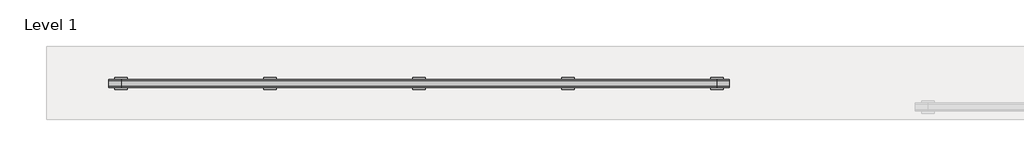
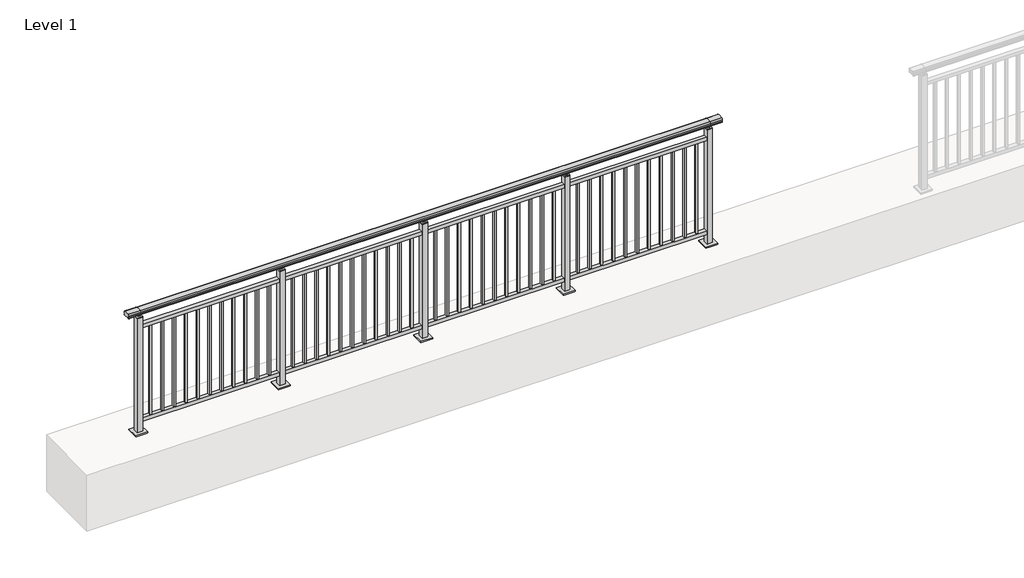
# One storey, part 6 of 64: 1 railing.
"""IFC4 building model written with IfcOpenShell, lengths in millimetres."""

from ifc_helpers import new_model, si_unit, frame, origin, origin_with_axes, place, context, project, spatial, polyline, circle_curve, outline, extrude, element, save
from ifc_brep_helpers import plane_surface, cylinder_surface, revolved_surface, advanced_brep

model = new_model("IFC4")

# Units and contexts
model_context = context("Model", 3, world=origin())
ifc_project = project(units=[si_unit("LENGTHUNIT", "METRE", prefix="MILLI")], contexts=[model_context])

# Site, building, storey
site = spatial("IfcSite", under=ifc_project)
building = spatial("IfcBuilding", under=site)
storey = spatial("IfcBuildingStorey", under=building, Name="Level 1", Elevation=0.0)

# Railing
placement = place(None, origin())
element("IfcRailing", 1, at=placement, inside=storey, context=model_context, shape_type="SolidModel", body=[
    advanced_brep(
    [(-100.0, 2715.3633756, 1095.6691182), (-100.0, 2720.1846828, 1081.1334092), (-100.0, 2719.2413744, 1069.2539035), (-100.0, 2721.1364177, 1061.4863007), (-100.0, 2719.4894799, 1060.384124), (-100.0, 2719.4894799, 1062.0), (-100.0, 2660.8798858, 1062.0), (-100.0, 2660.8798858, 1060.384124), (-100.0, 2659.232948, 1061.4863007), (-100.0, 2661.1279912, 1069.2539035), (-100.0, 2660.1846828, 1081.1334092), (-100.0, 2665.00599, 1095.6691182), (4900.0, 2715.3633756, 1095.6691182), (4900.0, 2665.00599, 1095.6691182), (4900.0, 2660.1846828, 1081.1334092), (4900.0, 2661.1279912, 1069.2539035), (4900.0, 2659.232948, 1061.4863007), (4900.0, 2660.8798858, 1060.384124), (4900.0, 2660.8798858, 1062.0), (4900.0, 2719.4894799, 1062.0), (4900.0, 2719.4894799, 1060.384124), (4900.0, 2721.1364177, 1061.4863007), (4900.0, 2719.2413744, 1069.2539035), (4900.0, 2720.1846828, 1081.1334092), (0.0, 2715.3633756, 1095.6691182), (0.0, 2720.1846828, 1081.1334092), (0.0, 2719.2413744, 1069.2539035), (0.0, 2721.1364177, 1061.4863007), (0.0, 2719.4894799, 1060.384124), (0.0, 2719.4894799, 1062.0), (0.0, 2660.8798858, 1062.0), (0.0, 2660.8798858, 1060.384124), (0.0, 2659.232948, 1061.4863007), (0.0, 2661.1279912, 1069.2539035), (0.0, 2660.1846828, 1081.1334092), (0.0, 2665.00599, 1095.6691182), (4800.0, 2715.3633756, 1095.6691182), (4800.0, 2720.1846828, 1081.1334092), (4800.0, 2719.2413744, 1069.2539035), (4800.0, 2721.1364177, 1061.4863007), (4800.0, 2719.4894799, 1060.384124), (4800.0, 2719.4894799, 1062.0), (4800.0, 2660.8798858, 1062.0), (4800.0, 2660.8798858, 1060.384124), (4800.0, 2659.232948, 1061.4863007), (4800.0, 2661.1279912, 1069.2539035), (4800.0, 2660.1846828, 1081.1334092), (4800.0, 2665.00599, 1095.6691182)],
    [
        (0, 1, circle_curve(frame((-100.0, 2712.1223845, 1086.526686), z_axis=(-1.0, 0.0, 0.0), x_axis=(0.0, -1.0, 0.0)), 9.6999015)),
        (1, 2, circle_curve(frame((-100.0, 2737.7252545, 1073.7633709), z_axis=(1.0, 0.0, 0.0), x_axis=(0.0, -1.0, 0.0)), 19.0260117)),
        (2, 3),
        (3, 4, circle_curve(frame((-100.0, 2720.2772073, 1060.9886194), z_axis=(-1.0, 0.0, 0.0), x_axis=(0.0, -1.0, 0.0)), 0.9929396)),
        (4, 5),
        (5, 6),
        (6, 7),
        (7, 8, circle_curve(frame((-100.0, 2660.0921584, 1060.9886194), z_axis=(-1.0, 0.0, 0.0), x_axis=(0.0, 1.0, 0.0)), 0.9929396)),
        (8, 9),
        (9, 10, circle_curve(frame((-100.0, 2642.6441111, 1073.7633709), z_axis=(1.0, 0.0, 0.0), x_axis=(0.0, 1.0, 0.0)), 19.0260117)),
        (10, 11, circle_curve(frame((-100.0, 2668.2469812, 1086.526686), z_axis=(-1.0, 0.0, 0.0), x_axis=(0.0, 1.0, 0.0)), 9.6999015)),
        (11, 0, circle_curve(frame((-100.0, 2690.1846828, 1024.6431628), z_axis=(-1.0, 0.0, 0.0), x_axis=(0.0, 1.0, 0.0)), 75.3568372)),
        (12, 13, circle_curve(frame((4900.0, 2690.1846828, 1024.6431628), z_axis=(1.0, 0.0, 0.0), x_axis=(0.0, 1.0, 0.0)), 75.3568372)),
        (13, 14, circle_curve(frame((4900.0, 2668.2469812, 1086.526686), z_axis=(1.0, 0.0, 0.0), x_axis=(0.0, 1.0, 0.0)), 9.6999015)),
        (14, 15, circle_curve(frame((4900.0, 2642.6441111, 1073.7633709), z_axis=(-1.0, 0.0, 0.0), x_axis=(0.0, 1.0, 0.0)), 19.0260117)),
        (15, 16),
        (16, 17, circle_curve(frame((4900.0, 2660.0921584, 1060.9886194), z_axis=(1.0, 0.0, 0.0), x_axis=(0.0, 1.0, 0.0)), 0.9929396)),
        (17, 18),
        (18, 19),
        (19, 20),
        (20, 21, circle_curve(frame((4900.0, 2720.2772073, 1060.9886194), z_axis=(1.0, 0.0, 0.0), x_axis=(0.0, -1.0, 0.0)), 0.9929396)),
        (21, 22),
        (22, 23, circle_curve(frame((4900.0, 2737.7252545, 1073.7633709), z_axis=(-1.0, 0.0, 0.0), x_axis=(0.0, -1.0, 0.0)), 19.0260117)),
        (23, 12, circle_curve(frame((4900.0, 2712.1223845, 1086.526686), z_axis=(1.0, 0.0, 0.0), x_axis=(0.0, -1.0, 0.0)), 9.6999015)),
        (0, 24),
        (24, 25, circle_curve(frame((0.0, 2712.1223845, 1086.526686), z_axis=(-1.0, 0.0, 0.0), x_axis=(0.0, -1.0, 0.0)), 9.6999015)),
        (25, 1),
        (25, 26, circle_curve(frame((0.0, 2737.7252545, 1073.7633709), z_axis=(1.0, 0.0, 0.0), x_axis=(0.0, -1.0, 0.0)), 19.0260117)),
        (26, 2),
        (26, 27),
        (27, 3),
        (27, 28, circle_curve(frame((0.0, 2720.2772073, 1060.9886194), z_axis=(-1.0, 0.0, 0.0), x_axis=(0.0, -1.0, 0.0)), 0.9929396)),
        (28, 4),
        (28, 29),
        (29, 5),
        (29, 30),
        (30, 6),
        (30, 31),
        (31, 7),
        (31, 32, circle_curve(frame((0.0, 2660.0921584, 1060.9886194), z_axis=(-1.0, 0.0, 0.0), x_axis=(0.0, 1.0, 0.0)), 0.9929396)),
        (32, 8),
        (32, 33),
        (33, 9),
        (33, 34, circle_curve(frame((0.0, 2642.6441111, 1073.7633709), z_axis=(1.0, 0.0, 0.0), x_axis=(0.0, 1.0, 0.0)), 19.0260117)),
        (34, 10),
        (34, 35, circle_curve(frame((0.0, 2668.2469812, 1086.526686), z_axis=(-1.0, 0.0, 0.0), x_axis=(0.0, 1.0, 0.0)), 9.6999015)),
        (35, 11),
        (35, 24, circle_curve(frame((0.0, 2690.1846828, 1024.6431628), z_axis=(-1.0, 0.0, 0.0), x_axis=(0.0, 1.0, 0.0)), 75.3568372)),
        (24, 36),
        (36, 37, circle_curve(frame((4800.0, 2712.1223845, 1086.526686), z_axis=(-1.0, 0.0, 0.0), x_axis=(0.0, -1.0, 0.0)), 9.6999015)),
        (37, 25),
        (37, 38, circle_curve(frame((4800.0, 2737.7252545, 1073.7633709), z_axis=(1.0, 0.0, 0.0), x_axis=(0.0, -1.0, 0.0)), 19.0260117)),
        (38, 26),
        (38, 39),
        (39, 27),
        (39, 40, circle_curve(frame((4800.0, 2720.2772073, 1060.9886194), z_axis=(-1.0, 0.0, 0.0), x_axis=(0.0, -1.0, 0.0)), 0.9929396)),
        (40, 28),
        (40, 41),
        (41, 29),
        (41, 42),
        (42, 30),
        (42, 43),
        (43, 31),
        (43, 44, circle_curve(frame((4800.0, 2660.0921584, 1060.9886194), z_axis=(-1.0, 0.0, 0.0), x_axis=(0.0, 1.0, 0.0)), 0.9929396)),
        (44, 32),
        (44, 45),
        (45, 33),
        (45, 46, circle_curve(frame((4800.0, 2642.6441111, 1073.7633709), z_axis=(1.0, 0.0, 0.0), x_axis=(0.0, 1.0, 0.0)), 19.0260117)),
        (46, 34),
        (46, 47, circle_curve(frame((4800.0, 2668.2469812, 1086.526686), z_axis=(-1.0, 0.0, 0.0), x_axis=(0.0, 1.0, 0.0)), 9.6999015)),
        (47, 35),
        (47, 36, circle_curve(frame((4800.0, 2690.1846828, 1024.6431628), z_axis=(-1.0, 0.0, 0.0), x_axis=(0.0, 1.0, 0.0)), 75.3568372)),
        (36, 12),
        (23, 37),
        (22, 38),
        (21, 39),
        (20, 40),
        (19, 41),
        (18, 42),
        (17, 43),
        (16, 44),
        (15, 45),
        (14, 46),
        (13, 47),
    ],
    [
        plane_surface(frame((-100.0, 2690.1846828, 1100.0), z_axis=(-1.0, 0.0, 0.0), x_axis=(0.0, 1.0, 0.0))),
        plane_surface(frame((4900.0, 2690.1846828, 1100.0), z_axis=(1.0, 0.0, 0.0), x_axis=(0.0, 1.0, 0.0))),
        cylinder_surface(frame((-100.0, 2712.1223845, 1086.526686), z_axis=(-1.0, 0.0, 0.0), x_axis=(0.0, -1.0, 0.0)), 9.6999015),
        revolved_surface(polyline([(0.0, 2718.6992428000003, 1073.7633709), (-100.0, 2718.6992428000003, 1073.7633709)]), (-100.0, 2737.7252545, 1073.7633709), (1.0, 0.0, 0.0)),
        plane_surface(frame((-100.0, 2719.2413744, 1069.2539035), z_axis=(0.0, 0.9715057689301543, 0.2370159086125439), x_axis=(1.0, 0.0, 0.0))),
        cylinder_surface(frame((-100.0, 2720.2772073, 1060.9886194), z_axis=(-1.0, 0.0, 0.0), x_axis=(0.0, -1.0, 0.0)), 0.9929396),
        plane_surface(frame((-100.0, 2719.4894799, 1060.384124), z_axis=(0.0, -1.0, 0.0), x_axis=(1.0, 0.0, 0.0))),
        plane_surface(frame((-100.0, 2719.4894799, 1062.0), z_axis=(0.0, 0.0, -1.0), x_axis=(1.0, 0.0, 0.0))),
        plane_surface(frame((-100.0, 2660.8798858, 1062.0), z_axis=(0.0, 1.0, 0.0), x_axis=(1.0, 0.0, 0.0))),
        cylinder_surface(frame((-100.0, 2660.0921584, 1060.9886194), z_axis=(-1.0, 0.0, 0.0), x_axis=(0.0, 1.0, 0.0)), 0.9929396),
        plane_surface(frame((-100.0, 2659.232948, 1061.4863007), z_axis=(0.0, -0.9715057689301543, 0.2370159086125439), x_axis=(1.0, 0.0, 0.0))),
        revolved_surface(polyline([(0.0, 2661.6701227999997, 1073.7633709), (-100.0, 2661.6701227999997, 1073.7633709)]), (-100.0, 2642.6441111, 1073.7633709), (1.0, 0.0, 0.0)),
        cylinder_surface(frame((-100.0, 2668.2469812, 1086.526686), z_axis=(-1.0, 0.0, 0.0), x_axis=(0.0, 1.0, 0.0)), 9.6999015),
        cylinder_surface(frame((-100.0, 2690.1846828, 1024.6431628), z_axis=(-1.0, 0.0, 0.0), x_axis=(0.0, 1.0, 0.0)), 75.3568372),
        cylinder_surface(frame((0.0, 2712.1223845, 1086.526686), z_axis=(-1.0, 0.0, 0.0), x_axis=(0.0, -1.0, 0.0)), 9.6999015),
        revolved_surface(polyline([(4800.0, 2718.6992428000003, 1073.7633709), (0.0, 2718.6992428000003, 1073.7633709)]), (0.0, 2737.7252545, 1073.7633709), (1.0, 0.0, 0.0)),
        plane_surface(frame((0.0, 2719.2413744, 1069.2539035), z_axis=(0.0, 0.9715057689301543, 0.2370159086125439), x_axis=(1.0, 0.0, 0.0))),
        cylinder_surface(frame((0.0, 2720.2772073, 1060.9886194), z_axis=(-1.0, 0.0, 0.0), x_axis=(0.0, -1.0, 0.0)), 0.9929396),
        plane_surface(frame((0.0, 2719.4894799, 1060.384124), z_axis=(0.0, -1.0, 0.0), x_axis=(1.0, 0.0, 0.0))),
        plane_surface(frame((0.0, 2719.4894799, 1062.0), z_axis=(0.0, 0.0, -1.0), x_axis=(1.0, 0.0, 0.0))),
        plane_surface(frame((0.0, 2660.8798858, 1062.0), z_axis=(0.0, 1.0, 0.0), x_axis=(1.0, 0.0, 0.0))),
        cylinder_surface(frame((0.0, 2660.0921584, 1060.9886194), z_axis=(-1.0, 0.0, 0.0), x_axis=(0.0, 1.0, 0.0)), 0.9929396),
        plane_surface(frame((0.0, 2659.232948, 1061.4863007), z_axis=(0.0, -0.9715057689301543, 0.2370159086125439), x_axis=(1.0, 0.0, 0.0))),
        revolved_surface(polyline([(4800.0, 2661.6701227999997, 1073.7633709), (0.0, 2661.6701227999997, 1073.7633709)]), (0.0, 2642.6441111, 1073.7633709), (1.0, 0.0, 0.0)),
        cylinder_surface(frame((0.0, 2668.2469812, 1086.526686), z_axis=(-1.0, 0.0, 0.0), x_axis=(0.0, 1.0, 0.0)), 9.6999015),
        cylinder_surface(frame((0.0, 2690.1846828, 1024.6431628), z_axis=(-1.0, 0.0, 0.0), x_axis=(0.0, 1.0, 0.0)), 75.3568372),
        cylinder_surface(frame((4800.0, 2712.1223845, 1086.526686), z_axis=(-1.0, 0.0, 0.0), x_axis=(0.0, -1.0, 0.0)), 9.6999015),
        revolved_surface(polyline([(4900.0, 2718.6992428000003, 1073.7633709), (4800.0, 2718.6992428000003, 1073.7633709)]), (4800.0, 2737.7252545, 1073.7633709), (1.0, 0.0, 0.0)),
        plane_surface(frame((4800.0, 2719.2413744, 1069.2539035), z_axis=(0.0, 0.9715057689301543, 0.2370159086125439), x_axis=(1.0, 0.0, 0.0))),
        cylinder_surface(frame((4800.0, 2720.2772073, 1060.9886194), z_axis=(-1.0, 0.0, 0.0), x_axis=(0.0, -1.0, 0.0)), 0.9929396),
        plane_surface(frame((4800.0, 2719.4894799, 1060.384124), z_axis=(0.0, -1.0, 0.0), x_axis=(1.0, 0.0, 0.0))),
        plane_surface(frame((4800.0, 2719.4894799, 1062.0), z_axis=(0.0, 0.0, -1.0), x_axis=(1.0, 0.0, 0.0))),
        plane_surface(frame((4800.0, 2660.8798858, 1062.0), z_axis=(0.0, 1.0, 0.0), x_axis=(1.0, 0.0, 0.0))),
        cylinder_surface(frame((4800.0, 2660.0921584, 1060.9886194), z_axis=(-1.0, 0.0, 0.0), x_axis=(0.0, 1.0, 0.0)), 0.9929396),
        plane_surface(frame((4800.0, 2659.232948, 1061.4863007), z_axis=(0.0, -0.9715057689301543, 0.2370159086125439), x_axis=(1.0, 0.0, 0.0))),
        revolved_surface(polyline([(4900.0, 2661.6701227999997, 1073.7633709), (4800.0, 2661.6701227999997, 1073.7633709)]), (4800.0, 2642.6441111, 1073.7633709), (1.0, 0.0, 0.0)),
        cylinder_surface(frame((4800.0, 2668.2469812, 1086.526686), z_axis=(-1.0, 0.0, 0.0), x_axis=(0.0, 1.0, 0.0)), 9.6999015),
        cylinder_surface(frame((4800.0, 2690.1846828, 1024.6431628), z_axis=(-1.0, 0.0, 0.0), x_axis=(0.0, 1.0, 0.0)), 75.3568372),
    ],
    [
        (0, [[1, 2, 3, 4, 5, 6, 7, 8, 9, 10, 11, 12]]),
        (1, [[13, 14, 15, 16, 17, 18, 19, 20, 21, 22, 23, 24]]),
        (2, [[-1, 25, 26, 27]]),
        (3, [[-2, -27, 28, 29]]),
        (4, [[-3, -29, 30, 31]]),
        (5, [[-4, -31, 32, 33]]),
        (6, [[-5, -33, 34, 35]]),
        (7, [[-6, -35, 36, 37]]),
        (8, [[-7, -37, 38, 39]]),
        (9, [[-8, -39, 40, 41]]),
        (10, [[-9, -41, 42, 43]]),
        (11, [[-10, -43, 44, 45]]),
        (12, [[-11, -45, 46, 47]]),
        (13, [[-12, -47, 48, -25]]),
        (14, [[-26, 49, 50, 51]]),
        (15, [[-28, -51, 52, 53]]),
        (16, [[-30, -53, 54, 55]]),
        (17, [[-32, -55, 56, 57]]),
        (18, [[-34, -57, 58, 59]]),
        (19, [[-36, -59, 60, 61]]),
        (20, [[-38, -61, 62, 63]]),
        (21, [[-40, -63, 64, 65]]),
        (22, [[-42, -65, 66, 67]]),
        (23, [[-44, -67, 68, 69]]),
        (24, [[-46, -69, 70, 71]]),
        (25, [[-48, -71, 72, -49]]),
        (26, [[-50, 73, -24, 74]]),
        (27, [[-52, -74, -23, 75]]),
        (28, [[-54, -75, -22, 76]]),
        (29, [[-56, -76, -21, 77]]),
        (30, [[-58, -77, -20, 78]]),
        (31, [[-60, -78, -19, 79]]),
        (32, [[-62, -79, -18, 80]]),
        (33, [[-64, -80, -17, 81]]),
        (34, [[-66, -81, -16, 82]]),
        (35, [[-68, -82, -15, 83]]),
        (36, [[-70, -83, -14, 84]]),
        (37, [[-72, -84, -13, -73]]),
    ],
),
    extrude(outline(polyline([(0.0, 2672.6846828), (0.0, 2707.6846828), (4800.0, 2707.6846828), (4800.0, 2672.6846828), (0.0, 2672.6846828)])), frame((0.0, 0.0, 930.0), z_axis=(0.0, 0.0, 1.0), x_axis=(1.0, 0.0, 0.0)), (0.0, 0.0, 1.0), 30.0),
    extrude(outline(polyline([(0.0, 2672.6846828), (0.0, 2707.6846828), (4800.0, 2707.6846828), (4800.0, 2672.6846828), (0.0, 2672.6846828)])), frame((0.0, 0.0, 95.0), z_axis=(0.0, 0.0, 1.0), x_axis=(1.0, 0.0, 0.0)), (0.0, 0.0, 1.0), 30.0),
    extrude(outline(polyline([(4708.5, 2698.6846828), (4708.5, 2681.6846828), (4691.5, 2681.6846828), (4691.5, 2698.6846828), (4708.5, 2698.6846828)])), frame((0.0, 0.0, 125.0), z_axis=(0.0, 0.0, 1.0), x_axis=(1.0, 0.0, 0.0)), (0.0, 0.0, 1.0), 805.0),
    extrude(outline(polyline([(4608.5, 2698.6846828), (4608.5, 2681.6846828), (4591.5, 2681.6846828), (4591.5, 2698.6846828), (4608.5, 2698.6846828)])), frame((0.0, 0.0, 125.0), z_axis=(0.0, 0.0, 1.0), x_axis=(1.0, 0.0, 0.0)), (0.0, 0.0, 1.0), 805.0),
    extrude(outline(polyline([(4508.5, 2698.6846828), (4508.5, 2681.6846828), (4491.5, 2681.6846828), (4491.5, 2698.6846828), (4508.5, 2698.6846828)])), frame((0.0, 0.0, 125.0), z_axis=(0.0, 0.0, 1.0), x_axis=(1.0, 0.0, 0.0)), (0.0, 0.0, 1.0), 805.0),
    extrude(outline(polyline([(4408.5, 2698.6846828), (4408.5, 2681.6846828), (4391.5, 2681.6846828), (4391.5, 2698.6846828), (4408.5, 2698.6846828)])), frame((0.0, 0.0, 125.0), z_axis=(0.0, 0.0, 1.0), x_axis=(1.0, 0.0, 0.0)), (0.0, 0.0, 1.0), 805.0),
    extrude(outline(polyline([(4308.5, 2698.6846828), (4308.5, 2681.6846828), (4291.5, 2681.6846828), (4291.5, 2698.6846828), (4308.5, 2698.6846828)])), frame((0.0, 0.0, 125.0), z_axis=(0.0, 0.0, 1.0), x_axis=(1.0, 0.0, 0.0)), (0.0, 0.0, 1.0), 805.0),
    extrude(outline(polyline([(4208.5, 2698.6846828), (4208.5, 2681.6846828), (4191.5, 2681.6846828), (4191.5, 2698.6846828), (4208.5, 2698.6846828)])), frame((0.0, 0.0, 125.0), z_axis=(0.0, 0.0, 1.0), x_axis=(1.0, 0.0, 0.0)), (0.0, 0.0, 1.0), 805.0),
    extrude(outline(polyline([(4108.5, 2698.6846828), (4108.5, 2681.6846828), (4091.5, 2681.6846828), (4091.5, 2698.6846828), (4108.5, 2698.6846828)])), frame((0.0, 0.0, 125.0), z_axis=(0.0, 0.0, 1.0), x_axis=(1.0, 0.0, 0.0)), (0.0, 0.0, 1.0), 805.0),
    extrude(outline(polyline([(4008.5, 2698.6846828), (4008.5, 2681.6846828), (3991.5, 2681.6846828), (3991.5, 2698.6846828), (4008.5, 2698.6846828)])), frame((0.0, 0.0, 125.0), z_axis=(0.0, 0.0, 1.0), x_axis=(1.0, 0.0, 0.0)), (0.0, 0.0, 1.0), 805.0),
    extrude(outline(polyline([(3908.5, 2698.6846828), (3908.5, 2681.6846828), (3891.5, 2681.6846828), (3891.5, 2698.6846828), (3908.5, 2698.6846828)])), frame((0.0, 0.0, 125.0), z_axis=(0.0, 0.0, 1.0), x_axis=(1.0, 0.0, 0.0)), (0.0, 0.0, 1.0), 805.0),
    extrude(outline(polyline([(3808.5, 2698.6846828), (3808.5, 2681.6846828), (3791.5, 2681.6846828), (3791.5, 2698.6846828), (3808.5, 2698.6846828)])), frame((0.0, 0.0, 125.0), z_axis=(0.0, 0.0, 1.0), x_axis=(1.0, 0.0, 0.0)), (0.0, 0.0, 1.0), 805.0),
    extrude(outline(polyline([(3708.5, 2698.6846828), (3708.5, 2681.6846828), (3691.5, 2681.6846828), (3691.5, 2698.6846828), (3708.5, 2698.6846828)])), frame((0.0, 0.0, 125.0), z_axis=(0.0, 0.0, 1.0), x_axis=(1.0, 0.0, 0.0)), (0.0, 0.0, 1.0), 805.0),
    extrude(outline(polyline([(3610.0, 2680.1846828), (3590.0, 2680.1846828), (3590.0, 2700.1846828), (3610.0, 2700.1846828), (3610.0, 2680.1846828)])), frame((0.0, 0.0, 1035.0), z_axis=(0.0, 0.0, 1.0), x_axis=(1.0, 0.0, 0.0)), (0.0, 0.0, 1.0), 20.0),
    extrude(outline(polyline([(3622.5, 2667.6846828), (3577.5, 2667.6846828), (3577.5, 2712.6846828), (3622.5, 2712.6846828), (3622.5, 2667.6846828)])), frame((0.0, 0.0, 1027.0), z_axis=(0.0, 0.0, 1.0), x_axis=(1.0, 0.0, 0.0)), (0.0, 0.0, 1.0), 8.0),
    extrude(outline(polyline([(3650.0, 2640.1846828), (3550.0, 2640.1846828), (3550.0, 2740.1846828), (3650.0, 2740.1846828), (3650.0, 2640.1846828)])), origin_with_axes(), (0.0, 0.0, 1.0), 12.0),
    extrude(outline(polyline([(3622.5, 2667.6846828), (3577.5, 2667.6846828), (3577.5, 2712.6846828), (3622.5, 2712.6846828), (3622.5, 2667.6846828)])), frame((0.0, 0.0, 12.0), z_axis=(0.0, 0.0, 1.0), x_axis=(1.0, 0.0, 0.0)), (0.0, 0.0, 1.0), 1015.0),
    extrude(outline(polyline([(3508.5, 2698.6846828), (3508.5, 2681.6846828), (3491.5, 2681.6846828), (3491.5, 2698.6846828), (3508.5, 2698.6846828)])), frame((0.0, 0.0, 125.0), z_axis=(0.0, 0.0, 1.0), x_axis=(1.0, 0.0, 0.0)), (0.0, 0.0, 1.0), 805.0),
    extrude(outline(polyline([(3408.5, 2698.6846828), (3408.5, 2681.6846828), (3391.5, 2681.6846828), (3391.5, 2698.6846828), (3408.5, 2698.6846828)])), frame((0.0, 0.0, 125.0), z_axis=(0.0, 0.0, 1.0), x_axis=(1.0, 0.0, 0.0)), (0.0, 0.0, 1.0), 805.0),
    extrude(outline(polyline([(3308.5, 2698.6846828), (3308.5, 2681.6846828), (3291.5, 2681.6846828), (3291.5, 2698.6846828), (3308.5, 2698.6846828)])), frame((0.0, 0.0, 125.0), z_axis=(0.0, 0.0, 1.0), x_axis=(1.0, 0.0, 0.0)), (0.0, 0.0, 1.0), 805.0),
    extrude(outline(polyline([(3208.5, 2698.6846828), (3208.5, 2681.6846828), (3191.5, 2681.6846828), (3191.5, 2698.6846828), (3208.5, 2698.6846828)])), frame((0.0, 0.0, 125.0), z_axis=(0.0, 0.0, 1.0), x_axis=(1.0, 0.0, 0.0)), (0.0, 0.0, 1.0), 805.0),
    extrude(outline(polyline([(3108.5, 2698.6846828), (3108.5, 2681.6846828), (3091.5, 2681.6846828), (3091.5, 2698.6846828), (3108.5, 2698.6846828)])), frame((0.0, 0.0, 125.0), z_axis=(0.0, 0.0, 1.0), x_axis=(1.0, 0.0, 0.0)), (0.0, 0.0, 1.0), 805.0),
    extrude(outline(polyline([(3008.5, 2698.6846828), (3008.5, 2681.6846828), (2991.5, 2681.6846828), (2991.5, 2698.6846828), (3008.5, 2698.6846828)])), frame((0.0, 0.0, 125.0), z_axis=(0.0, 0.0, 1.0), x_axis=(1.0, 0.0, 0.0)), (0.0, 0.0, 1.0), 805.0),
    extrude(outline(polyline([(2908.5, 2698.6846828), (2908.5, 2681.6846828), (2891.5, 2681.6846828), (2891.5, 2698.6846828), (2908.5, 2698.6846828)])), frame((0.0, 0.0, 125.0), z_axis=(0.0, 0.0, 1.0), x_axis=(1.0, 0.0, 0.0)), (0.0, 0.0, 1.0), 805.0),
    extrude(outline(polyline([(2808.5, 2698.6846828), (2808.5, 2681.6846828), (2791.5, 2681.6846828), (2791.5, 2698.6846828), (2808.5, 2698.6846828)])), frame((0.0, 0.0, 125.0), z_axis=(0.0, 0.0, 1.0), x_axis=(1.0, 0.0, 0.0)), (0.0, 0.0, 1.0), 805.0),
    extrude(outline(polyline([(2708.5, 2698.6846828), (2708.5, 2681.6846828), (2691.5, 2681.6846828), (2691.5, 2698.6846828), (2708.5, 2698.6846828)])), frame((0.0, 0.0, 125.0), z_axis=(0.0, 0.0, 1.0), x_axis=(1.0, 0.0, 0.0)), (0.0, 0.0, 1.0), 805.0),
    extrude(outline(polyline([(2608.5, 2698.6846828), (2608.5, 2681.6846828), (2591.5, 2681.6846828), (2591.5, 2698.6846828), (2608.5, 2698.6846828)])), frame((0.0, 0.0, 125.0), z_axis=(0.0, 0.0, 1.0), x_axis=(1.0, 0.0, 0.0)), (0.0, 0.0, 1.0), 805.0),
    extrude(outline(polyline([(2508.5, 2698.6846828), (2508.5, 2681.6846828), (2491.5, 2681.6846828), (2491.5, 2698.6846828), (2508.5, 2698.6846828)])), frame((0.0, 0.0, 125.0), z_axis=(0.0, 0.0, 1.0), x_axis=(1.0, 0.0, 0.0)), (0.0, 0.0, 1.0), 805.0),
    extrude(outline(polyline([(2410.0, 2680.1846828), (2390.0, 2680.1846828), (2390.0, 2700.1846828), (2410.0, 2700.1846828), (2410.0, 2680.1846828)])), frame((0.0, 0.0, 1035.0), z_axis=(0.0, 0.0, 1.0), x_axis=(1.0, 0.0, 0.0)), (0.0, 0.0, 1.0), 20.0),
    extrude(outline(polyline([(2422.5, 2667.6846828), (2377.5, 2667.6846828), (2377.5, 2712.6846828), (2422.5, 2712.6846828), (2422.5, 2667.6846828)])), frame((0.0, 0.0, 1027.0), z_axis=(0.0, 0.0, 1.0), x_axis=(1.0, 0.0, 0.0)), (0.0, 0.0, 1.0), 8.0),
    extrude(outline(polyline([(2450.0, 2640.1846828), (2350.0, 2640.1846828), (2350.0, 2740.1846828), (2450.0, 2740.1846828), (2450.0, 2640.1846828)])), origin_with_axes(), (0.0, 0.0, 1.0), 12.0),
    extrude(outline(polyline([(2422.5, 2667.6846828), (2377.5, 2667.6846828), (2377.5, 2712.6846828), (2422.5, 2712.6846828), (2422.5, 2667.6846828)])), frame((0.0, 0.0, 12.0), z_axis=(0.0, 0.0, 1.0), x_axis=(1.0, 0.0, 0.0)), (0.0, 0.0, 1.0), 1015.0),
    extrude(outline(polyline([(2308.5, 2698.6846828), (2308.5, 2681.6846828), (2291.5, 2681.6846828), (2291.5, 2698.6846828), (2308.5, 2698.6846828)])), frame((0.0, 0.0, 125.0), z_axis=(0.0, 0.0, 1.0), x_axis=(1.0, 0.0, 0.0)), (0.0, 0.0, 1.0), 805.0),
    extrude(outline(polyline([(2208.5, 2698.6846828), (2208.5, 2681.6846828), (2191.5, 2681.6846828), (2191.5, 2698.6846828), (2208.5, 2698.6846828)])), frame((0.0, 0.0, 125.0), z_axis=(0.0, 0.0, 1.0), x_axis=(1.0, 0.0, 0.0)), (0.0, 0.0, 1.0), 805.0),
    extrude(outline(polyline([(2108.5, 2698.6846828), (2108.5, 2681.6846828), (2091.5, 2681.6846828), (2091.5, 2698.6846828), (2108.5, 2698.6846828)])), frame((0.0, 0.0, 125.0), z_axis=(0.0, 0.0, 1.0), x_axis=(1.0, 0.0, 0.0)), (0.0, 0.0, 1.0), 805.0),
    extrude(outline(polyline([(2008.5, 2698.6846828), (2008.5, 2681.6846828), (1991.5, 2681.6846828), (1991.5, 2698.6846828), (2008.5, 2698.6846828)])), frame((0.0, 0.0, 125.0), z_axis=(0.0, 0.0, 1.0), x_axis=(1.0, 0.0, 0.0)), (0.0, 0.0, 1.0), 805.0),
    extrude(outline(polyline([(1908.5, 2698.6846828), (1908.5, 2681.6846828), (1891.5, 2681.6846828), (1891.5, 2698.6846828), (1908.5, 2698.6846828)])), frame((0.0, 0.0, 125.0), z_axis=(0.0, 0.0, 1.0), x_axis=(1.0, 0.0, 0.0)), (0.0, 0.0, 1.0), 805.0),
    extrude(outline(polyline([(1808.5, 2698.6846828), (1808.5, 2681.6846828), (1791.5, 2681.6846828), (1791.5, 2698.6846828), (1808.5, 2698.6846828)])), frame((0.0, 0.0, 125.0), z_axis=(0.0, 0.0, 1.0), x_axis=(1.0, 0.0, 0.0)), (0.0, 0.0, 1.0), 805.0),
    extrude(outline(polyline([(1708.5, 2698.6846828), (1708.5, 2681.6846828), (1691.5, 2681.6846828), (1691.5, 2698.6846828), (1708.5, 2698.6846828)])), frame((0.0, 0.0, 125.0), z_axis=(0.0, 0.0, 1.0), x_axis=(1.0, 0.0, 0.0)), (0.0, 0.0, 1.0), 805.0),
    extrude(outline(polyline([(1608.5, 2698.6846828), (1608.5, 2681.6846828), (1591.5, 2681.6846828), (1591.5, 2698.6846828), (1608.5, 2698.6846828)])), frame((0.0, 0.0, 125.0), z_axis=(0.0, 0.0, 1.0), x_axis=(1.0, 0.0, 0.0)), (0.0, 0.0, 1.0), 805.0),
    extrude(outline(polyline([(1508.5, 2698.6846828), (1508.5, 2681.6846828), (1491.5, 2681.6846828), (1491.5, 2698.6846828), (1508.5, 2698.6846828)])), frame((0.0, 0.0, 125.0), z_axis=(0.0, 0.0, 1.0), x_axis=(1.0, 0.0, 0.0)), (0.0, 0.0, 1.0), 805.0),
    extrude(outline(polyline([(1408.5, 2698.6846828), (1408.5, 2681.6846828), (1391.5, 2681.6846828), (1391.5, 2698.6846828), (1408.5, 2698.6846828)])), frame((0.0, 0.0, 125.0), z_axis=(0.0, 0.0, 1.0), x_axis=(1.0, 0.0, 0.0)), (0.0, 0.0, 1.0), 805.0),
    extrude(outline(polyline([(1308.5, 2698.6846828), (1308.5, 2681.6846828), (1291.5, 2681.6846828), (1291.5, 2698.6846828), (1308.5, 2698.6846828)])), frame((0.0, 0.0, 125.0), z_axis=(0.0, 0.0, 1.0), x_axis=(1.0, 0.0, 0.0)), (0.0, 0.0, 1.0), 805.0),
    extrude(outline(polyline([(1210.0, 2680.1846828), (1190.0, 2680.1846828), (1190.0, 2700.1846828), (1210.0, 2700.1846828), (1210.0, 2680.1846828)])), frame((0.0, 0.0, 1035.0), z_axis=(0.0, 0.0, 1.0), x_axis=(1.0, 0.0, 0.0)), (0.0, 0.0, 1.0), 20.0),
    extrude(outline(polyline([(1222.5, 2667.6846828), (1177.5, 2667.6846828), (1177.5, 2712.6846828), (1222.5, 2712.6846828), (1222.5, 2667.6846828)])), frame((0.0, 0.0, 1027.0), z_axis=(0.0, 0.0, 1.0), x_axis=(1.0, 0.0, 0.0)), (0.0, 0.0, 1.0), 8.0),
    extrude(outline(polyline([(1250.0, 2640.1846828), (1150.0, 2640.1846828), (1150.0, 2740.1846828), (1250.0, 2740.1846828), (1250.0, 2640.1846828)])), origin_with_axes(), (0.0, 0.0, 1.0), 12.0),
    extrude(outline(polyline([(1222.5, 2667.6846828), (1177.5, 2667.6846828), (1177.5, 2712.6846828), (1222.5, 2712.6846828), (1222.5, 2667.6846828)])), frame((0.0, 0.0, 12.0), z_axis=(0.0, 0.0, 1.0), x_axis=(1.0, 0.0, 0.0)), (0.0, 0.0, 1.0), 1015.0),
    extrude(outline(polyline([(1108.5, 2698.6846828), (1108.5, 2681.6846828), (1091.5, 2681.6846828), (1091.5, 2698.6846828), (1108.5, 2698.6846828)])), frame((0.0, 0.0, 125.0), z_axis=(0.0, 0.0, 1.0), x_axis=(1.0, 0.0, 0.0)), (0.0, 0.0, 1.0), 805.0),
    extrude(outline(polyline([(1008.5, 2698.6846828), (1008.5, 2681.6846828), (991.5, 2681.6846828), (991.5, 2698.6846828), (1008.5, 2698.6846828)])), frame((0.0, 0.0, 125.0), z_axis=(0.0, 0.0, 1.0), x_axis=(1.0, 0.0, 0.0)), (0.0, 0.0, 1.0), 805.0),
    extrude(outline(polyline([(908.5, 2698.6846828), (908.5, 2681.6846828), (891.5, 2681.6846828), (891.5, 2698.6846828), (908.5, 2698.6846828)])), frame((0.0, 0.0, 125.0), z_axis=(0.0, 0.0, 1.0), x_axis=(1.0, 0.0, 0.0)), (0.0, 0.0, 1.0), 805.0),
    extrude(outline(polyline([(808.5, 2698.6846828), (808.5, 2681.6846828), (791.5, 2681.6846828), (791.5, 2698.6846828), (808.5, 2698.6846828)])), frame((0.0, 0.0, 125.0), z_axis=(0.0, 0.0, 1.0), x_axis=(1.0, 0.0, 0.0)), (0.0, 0.0, 1.0), 805.0),
    extrude(outline(polyline([(708.5, 2698.6846828), (708.5, 2681.6846828), (691.5, 2681.6846828), (691.5, 2698.6846828), (708.5, 2698.6846828)])), frame((0.0, 0.0, 125.0), z_axis=(0.0, 0.0, 1.0), x_axis=(1.0, 0.0, 0.0)), (0.0, 0.0, 1.0), 805.0),
    extrude(outline(polyline([(608.5, 2698.6846828), (608.5, 2681.6846828), (591.5, 2681.6846828), (591.5, 2698.6846828), (608.5, 2698.6846828)])), frame((0.0, 0.0, 125.0), z_axis=(0.0, 0.0, 1.0), x_axis=(1.0, 0.0, 0.0)), (0.0, 0.0, 1.0), 805.0),
    extrude(outline(polyline([(508.5, 2698.6846828), (508.5, 2681.6846828), (491.5, 2681.6846828), (491.5, 2698.6846828), (508.5, 2698.6846828)])), frame((0.0, 0.0, 125.0), z_axis=(0.0, 0.0, 1.0), x_axis=(1.0, 0.0, 0.0)), (0.0, 0.0, 1.0), 805.0),
    extrude(outline(polyline([(408.5, 2698.6846828), (408.5, 2681.6846828), (391.5, 2681.6846828), (391.5, 2698.6846828), (408.5, 2698.6846828)])), frame((0.0, 0.0, 125.0), z_axis=(0.0, 0.0, 1.0), x_axis=(1.0, 0.0, 0.0)), (0.0, 0.0, 1.0), 805.0),
    extrude(outline(polyline([(308.5, 2698.6846828), (308.5, 2681.6846828), (291.5, 2681.6846828), (291.5, 2698.6846828), (308.5, 2698.6846828)])), frame((0.0, 0.0, 125.0), z_axis=(0.0, 0.0, 1.0), x_axis=(1.0, 0.0, 0.0)), (0.0, 0.0, 1.0), 805.0),
    extrude(outline(polyline([(208.5, 2698.6846828), (208.5, 2681.6846828), (191.5, 2681.6846828), (191.5, 2698.6846828), (208.5, 2698.6846828)])), frame((0.0, 0.0, 125.0), z_axis=(0.0, 0.0, 1.0), x_axis=(1.0, 0.0, 0.0)), (0.0, 0.0, 1.0), 805.0),
    extrude(outline(polyline([(108.5, 2698.6846828), (108.5, 2681.6846828), (91.5, 2681.6846828), (91.5, 2698.6846828), (108.5, 2698.6846828)])), frame((0.0, 0.0, 125.0), z_axis=(0.0, 0.0, 1.0), x_axis=(1.0, 0.0, 0.0)), (0.0, 0.0, 1.0), 805.0),
    extrude(outline(polyline([(4810.0, 2680.1846828), (4790.0, 2680.1846828), (4790.0, 2700.1846828), (4810.0, 2700.1846828), (4810.0, 2680.1846828)])), frame((0.0, 0.0, 1035.0), z_axis=(0.0, 0.0, 1.0), x_axis=(1.0, 0.0, 0.0)), (0.0, 0.0, 1.0), 20.0),
    extrude(outline(polyline([(4822.5, 2667.6846828), (4777.5, 2667.6846828), (4777.5, 2712.6846828), (4822.5, 2712.6846828), (4822.5, 2667.6846828)])), frame((0.0, 0.0, 1027.0), z_axis=(0.0, 0.0, 1.0), x_axis=(1.0, 0.0, 0.0)), (0.0, 0.0, 1.0), 8.0),
    extrude(outline(polyline([(4850.0, 2640.1846828), (4750.0, 2640.1846828), (4750.0, 2740.1846828), (4850.0, 2740.1846828), (4850.0, 2640.1846828)])), origin_with_axes(), (0.0, 0.0, 1.0), 12.0),
    extrude(outline(polyline([(4822.5, 2667.6846828), (4777.5, 2667.6846828), (4777.5, 2712.6846828), (4822.5, 2712.6846828), (4822.5, 2667.6846828)])), frame((0.0, 0.0, 12.0), z_axis=(0.0, 0.0, 1.0), x_axis=(1.0, 0.0, 0.0)), (0.0, 0.0, 1.0), 1015.0),
    extrude(outline(polyline([(10.0, 2680.1846828), (-10.0, 2680.1846828), (-10.0, 2700.1846828), (10.0, 2700.1846828), (10.0, 2680.1846828)])), frame((0.0, 0.0, 1035.0), z_axis=(0.0, 0.0, 1.0), x_axis=(1.0, 0.0, 0.0)), (0.0, 0.0, 1.0), 20.0),
    extrude(outline(polyline([(22.5, 2667.6846828), (-22.5, 2667.6846828), (-22.5, 2712.6846828), (22.5, 2712.6846828), (22.5, 2667.6846828)])), frame((0.0, 0.0, 1027.0), z_axis=(0.0, 0.0, 1.0), x_axis=(1.0, 0.0, 0.0)), (0.0, 0.0, 1.0), 8.0),
    extrude(outline(polyline([(50.0, 2640.1846828), (-50.0, 2640.1846828), (-50.0, 2740.1846828), (50.0, 2740.1846828), (50.0, 2640.1846828)])), origin_with_axes(), (0.0, 0.0, 1.0), 12.0),
    extrude(outline(polyline([(22.5, 2667.6846828), (-22.5, 2667.6846828), (-22.5, 2712.6846828), (22.5, 2712.6846828), (22.5, 2667.6846828)])), frame((0.0, 0.0, 12.0), z_axis=(0.0, 0.0, 1.0), x_axis=(1.0, 0.0, 0.0)), (0.0, 0.0, 1.0), 1015.0),
])

save(model, "model.ifc")
